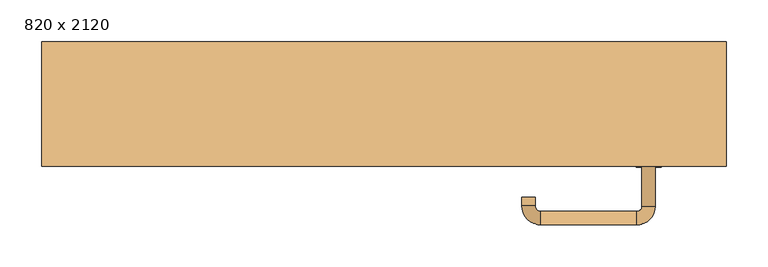
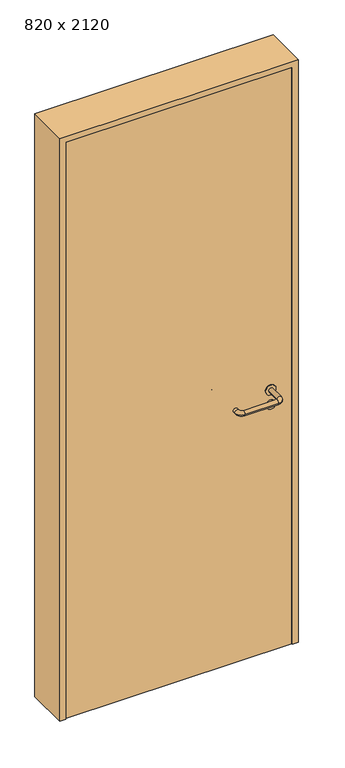
"""IFC4 building model written with IfcOpenShell, lengths in millimetres: door geometry, 820 x 2120."""

import ifcopenshell
import ifcopenshell.guid

model = None  # the IFC model being written
_history = None  # IfcOwnerHistory: only IFC2X3 demands one
_inside = {}  # id of a spatial element -> (the spatial element, [elements in it])
_under = {}  # id of a project, library or spatial element -> (it, [spatial elements below it])
_declared = {}  # id of a project -> (the project, [libraries it declares])
_typed = {}  # id of a type object -> (the type object, [elements of that type])
_made_of = {}  # id of a material, layer set ... -> (it, [elements and type objects made of it])


def new_model(schema):
    """Start an empty IFC model of exactly this schema.

    Asked for "IFC4X3", IfcOpenShell would pick the latest addendum, in which some entities
    have other attributes; the version numbers below select the first issue.
    IFC2X3 requires an IfcOwnerHistory on every rooted entity: one is made here for all.
    """
    global model, _history
    if schema == "IFC4X3":
        model = ifcopenshell.file(schema_version=(4, 3, 0, 0))
    else:
        model = ifcopenshell.file(schema=schema)
    _inside.clear()
    _under.clear()
    _declared.clear()
    _typed.clear()
    _made_of.clear()
    _history = None
    if model.schema == "IFC2X3":
        org = make("IfcOrganization", Name="unknown")
        user = make(
            "IfcPersonAndOrganization",
            ThePerson=make("IfcPerson", FamilyName="unknown"),
            TheOrganization=org,
        )
        app = make(
            "IfcApplication",
            ApplicationDeveloper=org,
            Version="unknown",
            ApplicationFullName="unknown",
            ApplicationIdentifier="unknown",
        )
        _history = make(
            "IfcOwnerHistory",
            OwningUser=user,
            OwningApplication=app,
            ChangeAction="ADDED",
            CreationDate=0,
        )
    return model


def make(cls, **values):
    """One entity of the class cls with the attributes given. An attribute that is None is left unset."""
    return model.create_entity(
        cls, **{name: value for name, value in values.items() if value is not None}
    )


def rooted(cls, **values):
    """An entity with a GlobalId (a new one), such as an element, a storey or a relation."""
    return make(cls, GlobalId=ifcopenshell.guid.new(), OwnerHistory=_history, **values)


def si_unit(unit_type, name, prefix=None):
    """IfcSIUnit, for example si_unit("LENGTHUNIT", "METRE", prefix="MILLI")."""
    return make("IfcSIUnit", UnitType=unit_type, Prefix=prefix, Name=name)


def assignment(units):
    """IfcUnitAssignment: the units of a project."""
    return None if units is None else make("IfcUnitAssignment", Units=units)


def point(xyz):
    """IfcCartesianPoint."""
    return None if xyz is None else make("IfcCartesianPoint", Coordinates=xyz)


def direction(xyz):
    """IfcDirection."""
    return None if xyz is None else make("IfcDirection", DirectionRatios=xyz)


def frame(location, z_axis=None, x_axis=None):
    """IfcAxis2Placement3D, a coordinate frame: its origin and axes. An axis left out is left unset."""
    return make(
        "IfcAxis2Placement3D",
        Location=point(location),
        Axis=direction(z_axis),
        RefDirection=direction(x_axis),
    )


def frame_2d(location, x_axis=None):
    """IfcAxis2Placement2D, a coordinate frame in the plane: its origin and x axis."""
    return make(
        "IfcAxis2Placement2D", Location=point(location), RefDirection=direction(x_axis)
    )


def origin():
    """The frame at (0, 0, 0) with its axes left unset."""
    return frame((0.0, 0.0, 0.0))


def origin_with_axes():
    """The frame at (0, 0, 0) with the z axis (0, 0, 1) and the x axis (1, 0, 0) written out."""
    return frame((0.0, 0.0, 0.0), z_axis=(0.0, 0.0, 1.0), x_axis=(1.0, 0.0, 0.0))


def place(relative_to, where):
    """IfcLocalPlacement: puts the frame where relative to a parent placement (None: the world)."""
    return make(
        "IfcLocalPlacement", PlacementRelTo=relative_to, RelativePlacement=where
    )


def context(
    kind, dimensions, precision=None, world=None, true_north=None, identifier=None
):
    """IfcGeometricRepresentationContext, for example the 3D "Model" context."""
    return make(
        "IfcGeometricRepresentationContext",
        ContextIdentifier=identifier,
        ContextType=kind,
        CoordinateSpaceDimension=dimensions,
        Precision=precision,
        WorldCoordinateSystem=world,
        TrueNorth=true_north,
    )


def project(units=None, contexts=None):
    """IfcProject with its units and contexts."""
    return rooted(
        "IfcProject",
        Name="project",
        RepresentationContexts=contexts,
        UnitsInContext=assignment(units),
    )


def spatial(cls, under=None, at=None, **own):
    """A site, building, storey or space (cls), placed at a placement, below another one or the project."""
    s = rooted(cls, ObjectPlacement=at, **own)
    if under is not None:
        _under.setdefault(under.id(), (under, []))[1].append(s)
    return s


def polyline(points):
    """IfcPolyline through the points."""
    return make("IfcPolyline", Points=[point(p) for p in points])


def circle_curve(where, radius):
    """IfcCircle in the frame where."""
    return make("IfcCircle", Position=where, Radius=radius)


def ellipse_curve(where, semi_axis1, semi_axis2):
    """IfcEllipse in the frame where."""
    return make(
        "IfcEllipse", Position=where, SemiAxis1=semi_axis1, SemiAxis2=semi_axis2
    )


def trimmed(basis, trim1, trim2, sense, master):
    """IfcTrimmedCurve: the piece of a basis curve between two trims."""
    return make(
        "IfcTrimmedCurve",
        BasisCurve=basis,
        Trim1=trim1,
        Trim2=trim2,
        SenseAgreement=sense,
        MasterRepresentation=master,
    )


def segment(curve, same_sense, transition):
    """IfcCompositeCurveSegment."""
    return make(
        "IfcCompositeCurveSegment",
        Transition=transition,
        SameSense=same_sense,
        ParentCurve=curve,
    )


def composite_curve(segments, self_intersect=None):
    """IfcCompositeCurve: segments joined end to end."""
    return make("IfcCompositeCurve", Segments=segments, SelfIntersect=self_intersect)


def outline(outer, holes=None, kind="AREA"):
    """IfcArbitraryClosedProfileDef: a profile drawn as a closed curve; with holes, ...WithVoids."""
    if holes is None:
        return make("IfcArbitraryClosedProfileDef", ProfileType=kind, OuterCurve=outer)
    return make(
        "IfcArbitraryProfileDefWithVoids",
        ProfileType=kind,
        OuterCurve=outer,
        InnerCurves=holes,
    )


def extrude(swept, where, along, depth):
    """IfcExtrudedAreaSolid: the profile swept, set in the frame where, extruded along a direction by depth."""
    return make(
        "IfcExtrudedAreaSolid",
        SweptArea=swept,
        Position=where,
        ExtrudedDirection=direction(along),
        Depth=depth,
    )


def shape(context_of_items, identifier, shape_type, items):
    """IfcShapeRepresentation: the items that make up one representation, for example the "Body"."""
    return make(
        "IfcShapeRepresentation",
        ContextOfItems=context_of_items,
        RepresentationIdentifier=identifier,
        RepresentationType=shape_type,
        Items=items,
    )


def source(mapping_origin, context_of_items, identifier, shape_type, items):
    """IfcRepresentationMap: a shape defined once, which mapped items show again and again."""
    return make(
        "IfcRepresentationMap",
        MappingOrigin=mapping_origin,
        MappedRepresentation=shape(context_of_items, identifier, shape_type, items),
    )


def transform(
    local_origin,
    x_axis=None,
    y_axis=None,
    z_axis=None,
    scale=None,
    scale2=None,
    scale3=None,
    uniform=True,
):
    """IfcCartesianTransformationOperator3D, or its non-uniform kind. x_axis, y_axis, z_axis: its Axis1, 2, 3."""
    if uniform:
        return make(
            "IfcCartesianTransformationOperator3D",
            Axis1=direction(x_axis),
            Axis2=direction(y_axis),
            LocalOrigin=point(local_origin),
            Scale=scale,
            Axis3=direction(z_axis),
        )
    return make(
        "IfcCartesianTransformationOperator3DnonUniform",
        Axis1=direction(x_axis),
        Axis2=direction(y_axis),
        LocalOrigin=point(local_origin),
        Scale=scale,
        Axis3=direction(z_axis),
        Scale2=scale2,
        Scale3=scale3,
    )


def mapped(mapping_source, mapping_target):
    """IfcMappedItem: shows the shape of a source again, moved by a transform."""
    return make(
        "IfcMappedItem", MappingSource=mapping_source, MappingTarget=mapping_target
    )


def made_of(thing, what):
    """Note that an element or type object is made of a material, layer set ...; save() writes the relation."""
    if what is not None:
        _made_of.setdefault(what.id(), (what, []))[1].append(thing)
    return thing


def element(
    cls,
    number,
    at=None,
    inside=None,
    cuts=None,
    type_object=None,
    material=None,
    context=None,
    identifier="Body",
    shape_type=None,
    held_by="IfcProductDefinitionShape",
    body=None,
    shapes=None,
    **own,
):
    """One element of the class cls, such as IfcWall. Its Tag is "e" and its number.

    at: its placement. inside: the storey or other place that contains it. cuts: it is an
    opening in that element (IfcRelVoidsElement). A single representation is given by context,
    identifier, shape_type and body (its items); several are given by shapes. held_by: the class
    of the entity that holds the representations. save() writes the other relations.
    """
    e = rooted(cls, Tag="e%d" % number, ObjectPlacement=at, **own)
    if body is not None:
        shapes = [shape(context, identifier, shape_type, body)]
    if shapes is not None:
        e.Representation = make(held_by, Representations=shapes)
    if inside is not None:
        _inside.setdefault(inside.id(), (inside, []))[1].append(e)
    if cuts is not None:
        rooted(
            "IfcRelVoidsElement", RelatingBuildingElement=cuts, RelatedOpeningElement=e
        )
    if type_object is not None:
        _typed.setdefault(type_object.id(), (type_object, []))[1].append(e)
    return made_of(e, material)


def aggregate(whole, parts):
    """IfcRelAggregates: a whole, such as a stair, and the parts it consists of."""
    return rooted("IfcRelAggregates", RelatingObject=whole, RelatedObjects=parts)


def save(model, path):
    """Write the relations noted so far, then the file.

    IfcRelAggregates (storeys below a building ...), IfcRelContainedInSpatialStructure (elements
    in a storey), IfcRelDefinesByType, IfcRelAssociatesMaterial and IfcRelDeclares: one each for
    every whole, place, type object, material and project.
    """
    for whole, parts in _under.values():
        aggregate(whole, parts)
    for where, things in _inside.values():
        rooted(
            "IfcRelContainedInSpatialStructure",
            RelatedElements=things,
            RelatingStructure=where,
        )
    for kind, things in _typed.values():
        rooted("IfcRelDefinesByType", RelatedObjects=things, RelatingType=kind)
    for what, things in _made_of.values():
        rooted("IfcRelAssociatesMaterial", RelatedObjects=things, RelatingMaterial=what)
    for by, libraries in _declared.values():
        rooted("IfcRelDeclares", RelatingContext=by, RelatedDefinitions=libraries)
    model.write(path)


def plane_surface(at):
    """IfcPlane: the flat surface through the origin of the frame at, square to its z axis."""
    return make("IfcPlane", Position=at)


def cylinder_surface(at, radius):
    """IfcCylindricalSurface: all points at the distance radius from the z axis of the frame at."""
    return make("IfcCylindricalSurface", Position=at, Radius=radius)


def revolved_surface(curve, axis_point, axis_direction):
    """IfcSurfaceOfRevolution: the curve turned about the line through axis_point along axis_direction."""
    return make(
        "IfcSurfaceOfRevolution",
        SweptCurve=make("IfcArbitraryOpenProfileDef", ProfileType="CURVE", Curve=curve),
        AxisPosition=make("IfcAxis1Placement", Location=point(axis_point), Axis=direction(axis_direction)),
    )


def advanced_brep(points, edges, surfaces, faces):
    """IfcAdvancedBrep: a solid bounded by faces that lie on surfaces and meet in shared edges.

    An edge is (start, end): straight between two places in points (the first is 0);
    or (start, end, curve); or (start, end, curve, False) where it runs against its curve.
    A face is (place in surfaces, loops), or (place, loops, False) where it looks against
    its surface's normal. A loop lists edges by number (the first is 1), with a minus sign
    where the edge is run from its end to its start. The first loop is the outer one.
    """
    corners = [point(p) for p in points]
    vertices = [make("IfcVertexPoint", VertexGeometry=c) for c in corners]
    made = []
    for start, end, *more in edges:
        made.append(
            make(
                "IfcEdgeCurve",
                EdgeStart=vertices[start],
                EdgeEnd=vertices[end],
                EdgeGeometry=more[0] if more else make("IfcPolyline", Points=[corners[start], corners[end]]),
                SameSense=more[1] if len(more) > 1 else True,
            )
        )
    hull = []
    for where, loops, *sense in faces:
        bounds = []
        for j, loop in enumerate(loops):
            ring = [make("IfcOrientedEdge", EdgeElement=made[abs(k) - 1], Orientation=k > 0) for k in loop]
            bounds.append(
                make(
                    "IfcFaceOuterBound" if j == 0 else "IfcFaceBound",
                    Bound=make("IfcEdgeLoop", EdgeList=ring),
                    Orientation=True,
                )
            )
        hull.append(make("IfcAdvancedFace", Bounds=bounds, FaceSurface=surfaces[where], SameSense=sense[0] if sense else True))
    return make("IfcAdvancedBrep", Outer=make("IfcClosedShell", CfsFaces=hull))


def door_820_x_2120_89dac87c(model_context):
    return source(origin(), model_context, "Body", "SolidModel", [
        extrude(outline(composite_curve([segment(trimmed(circle_curve(frame_2d((897.3605726, 317.0)), 15.0), [point((897.3605726, 332.0))], [point((897.3605726, 302.0))], False, "CARTESIAN"), True, "CONTINUOUS"), segment(trimmed(circle_curve(frame_2d((897.3605726, 317.0)), 15.0), [point((897.3605726, 302.0))], [point((897.3605726, 332.0))], False, "CARTESIAN"), True, "CONTINUOUS")], self_intersect=False), holes=[composite_curve([segment(trimmed(circle_curve(frame_2d((892.5833211, 316.9398032)), 2.0), [point((892.5833211, 318.9398032))], [point((892.5833211, 314.9398032))], True, "CARTESIAN"), True, "CONTINUOUS"), segment(polyline([(892.5833211, 314.9398032), (902.5833211, 314.9398032)]), True, "CONTINUOUS"), segment(trimmed(circle_curve(frame_2d((902.5833211, 316.9398032)), 2.0), [point((902.5833211, 314.9398032))], [point((902.5833211, 318.9398032))], True, "CARTESIAN"), True, "CONTINUOUS"), segment(polyline([(902.5833211, 318.9398032), (892.5833211, 318.9398032)]), True, "CONTINUOUS")], self_intersect=False)]), frame((0.0, -40.0, 0.0), z_axis=(0.0, 1.0, 0.0), x_axis=(0.0, 0.0, 1.0)), (0.0, 0.0, 1.0), 6.35),
        extrude(outline(composite_curve([segment(trimmed(circle_curve(frame_2d((950.0, 317.0)), 17.526), [point((950.0, 334.526))], [point((950.0, 299.474))], False, "CARTESIAN"), True, "CONTINUOUS"), segment(trimmed(circle_curve(frame_2d((950.0, 317.0)), 17.526), [point((950.0, 299.474))], [point((950.0, 334.526))], False, "CARTESIAN"), True, "CONTINUOUS")], self_intersect=False)), frame((0.0, -40.0, 0.0), z_axis=(0.0, 1.0, 0.0), x_axis=(0.0, 0.0, 1.0)), (0.0, 0.0, 1.0), 3.175),
        advanced_brep(
        [(325.0, -40.0, 950.0), (309.0, -40.0, 950.0), (325.0, 13.0, 950.0), (309.0, 13.0, 950.0), (302.8578644, 19.1421356, 950.0), (302.8578644, 35.1421356, 950.0), (187.8578644, 35.1421356, 950.0), (187.8578644, 19.1421356, 950.0), (181.008622, 12.2928932, 950.0), (165.008622, 12.2928932, 950.0), (165.008622, 2.2928932, 950.0), (181.008622, 2.2928932, 950.0)],
        [
            (0, 1, circle_curve(frame((317.0, -40.0, 950.0), z_axis=(0.0, -1.0, 0.0), x_axis=(-1.0, 0.0, 0.0)), 8.0)),
            (1, 0, circle_curve(frame((317.0, -40.0, 950.0), z_axis=(0.0, -1.0, 0.0), x_axis=(-1.0, 0.0, 0.0)), 8.0)),
            (0, 2),
            (2, 3, circle_curve(frame((317.0, 13.0, 950.0), z_axis=(0.0, -1.0, 0.0), x_axis=(-1.0, 0.0, 0.0)), 8.0)),
            (3, 1),
            (3, 2, circle_curve(frame((317.0, 13.0, 950.0), z_axis=(0.0, -1.0, 0.0), x_axis=(-1.0, 0.0, 0.0)), 8.0)),
            (4, 3, circle_curve(frame((302.8578644, 13.0, 950.0), z_axis=(0.0, 0.0, -1.0), x_axis=(1.0, 0.0, 0.0)), 6.1421356)),
            (2, 5, circle_curve(frame((302.8578644, 13.0, 950.0), z_axis=(0.0, 0.0, 1.0), x_axis=(1.0, 0.0, 0.0)), 22.1421356)),
            (5, 4, circle_curve(frame((302.8578644, 27.1421356, 950.0), z_axis=(1.0, 0.0, 0.0), x_axis=(0.0, -1.0, 0.0)), 8.0)),
            (4, 5, circle_curve(frame((302.8578644, 27.1421356, 950.0), z_axis=(1.0, 0.0, 0.0), x_axis=(0.0, -1.0, 0.0)), 8.0)),
            (5, 6),
            (6, 7, circle_curve(frame((187.8578644, 27.1421356, 950.0), z_axis=(1.0, 0.0, 0.0), x_axis=(0.0, -1.0, 0.0)), 8.0)),
            (7, 4),
            (7, 6, circle_curve(frame((187.8578644, 27.1421356, 950.0), z_axis=(1.0, 0.0, 0.0), x_axis=(0.0, -1.0, 0.0)), 8.0)),
            (8, 7, circle_curve(frame((187.8578644, 12.2928932, 950.0), z_axis=(0.0, 0.0, -1.0), x_axis=(0.0, 1.0, 0.0)), 6.8492424)),
            (6, 9, circle_curve(frame((187.8578644, 12.2928932, 950.0), z_axis=(0.0, 0.0, 1.0), x_axis=(0.0, 1.0, 0.0)), 22.8492424)),
            (9, 8, circle_curve(frame((173.008622, 12.2928932, 950.0), z_axis=(0.0, 1.0, 0.0), x_axis=(1.0, 0.0, 0.0)), 8.0)),
            (8, 9, circle_curve(frame((173.008622, 12.2928932, 950.0), z_axis=(0.0, 1.0, 0.0), x_axis=(1.0, 0.0, 0.0)), 8.0)),
            (10, 11, circle_curve(frame((173.008622, 2.2928932, 950.0), z_axis=(0.0, -1.0, 0.0), x_axis=(1.0, 0.0, 0.0)), 8.0)),
            (11, 10, circle_curve(frame((173.008622, 2.2928932, 950.0), z_axis=(0.0, -1.0, 0.0), x_axis=(1.0, 0.0, 0.0)), 8.0)),
            (9, 10),
            (11, 8),
        ],
        [
            plane_surface(frame((317.0, -40.0, 0.0), z_axis=(0.0, -1.0, 0.0), x_axis=(0.0, 0.0, 1.0))),
            cylinder_surface(frame((317.0, -40.0, 950.0), z_axis=(0.0, -1.0, 0.0), x_axis=(-1.0, 0.0, 0.0)), 8.0),
            revolved_surface(trimmed(ellipse_curve(frame((317.0, 13.0, 950.0), z_axis=(0.0, -1.0, 0.0), x_axis=(-1.0, 0.0, 0.0)), 8.0, 8.0), [point((325.0, 13.0, 950.0))], [point((309.0, 13.0, 950.0))], True, "CARTESIAN"), (302.8578644, 13.0, 0.0), (0.0, 0.0, 1.0)),
            revolved_surface(trimmed(ellipse_curve(frame((317.0, 13.0, 950.0), z_axis=(0.0, -1.0, 0.0), x_axis=(-1.0, 0.0, 0.0)), 8.0, 8.0), [point((309.0, 13.0, 950.0))], [point((325.0, 13.0, 950.0))], True, "CARTESIAN"), (302.8578644, 13.0, 0.0), (0.0, 0.0, 1.0)),
            cylinder_surface(frame((302.8578644, 27.1421356, 950.0), z_axis=(1.0, 0.0, 0.0), x_axis=(0.0, -1.0, 0.0)), 8.0),
            revolved_surface(trimmed(ellipse_curve(frame((187.8578644, 27.1421356, 950.0), z_axis=(1.0, 0.0, 0.0), x_axis=(0.0, -1.0, 0.0)), 8.0, 8.0), [point((187.8578644, 35.1421356, 950.0))], [point((187.8578644, 19.1421356, 950.0))], True, "CARTESIAN"), (187.8578644, 12.2928932, 0.0), (0.0, 0.0, 1.0)),
            revolved_surface(trimmed(ellipse_curve(frame((187.8578644, 27.1421356, 950.0), z_axis=(1.0, 0.0, 0.0), x_axis=(0.0, -1.0, 0.0)), 8.0, 8.0), [point((187.8578644, 19.1421356, 950.0))], [point((187.8578644, 35.1421356, 950.0))], True, "CARTESIAN"), (187.8578644, 12.2928932, 0.0), (0.0, 0.0, 1.0)),
            plane_surface(frame((173.008622, 2.2928932, 0.0), z_axis=(0.0, -1.0, 0.0), x_axis=(0.0, 0.0, 1.0))),
            cylinder_surface(frame((173.008622, 12.2928932, 950.0), z_axis=(0.0, 1.0, 0.0), x_axis=(1.0, 0.0, 0.0)), 8.0),
        ],
        [
            (0, [[1, 2]]),
            (1, [[-1, 3, 4, 5]]),
            (1, [[-2, -5, 6, -3]]),
            (2, [[7, -4, 8, 9]]),
            (3, [[-8, -6, -7, 10]]),
            (4, [[-9, 11, 12, 13]]),
            (4, [[-10, -13, 14, -11]]),
            (5, [[15, -12, 16, 17]]),
            (6, [[-16, -14, -15, 18]]),
            (7, [[19, 20]]),
            (8, [[-17, 21, -20, 22]]),
            (8, [[-18, -22, -19, -21]]),
        ],
    ),
        extrude(outline(composite_curve([segment(trimmed(circle_curve(frame_2d((0.0, 15.0)), 15.0), [point((0.0, 30.0))], [point((0.0, 0.0))], False, "CARTESIAN"), True, "CONTINUOUS"), segment(trimmed(circle_curve(frame_2d((0.0, 15.0)), 15.0), [point((0.0, 0.0))], [point((0.0, 30.0))], False, "CARTESIAN"), True, "CONTINUOUS")], self_intersect=False), holes=[composite_curve([segment(trimmed(circle_curve(frame_2d((-4.7772515, 14.9398032)), 2.0), [point((-4.7772515, 16.9398032))], [point((-4.7772515, 12.9398032))], True, "CARTESIAN"), True, "CONTINUOUS"), segment(polyline([(-4.7772515, 12.9398032), (5.2227485, 12.9398032)]), True, "CONTINUOUS"), segment(trimmed(circle_curve(frame_2d((5.2227485, 14.9398032)), 2.0), [point((5.2227485, 12.9398032))], [point((5.2227485, 16.9398032))], True, "CARTESIAN"), True, "CONTINUOUS"), segment(polyline([(5.2227485, 16.9398032), (-4.7772515, 16.9398032)]), True, "CONTINUOUS")], self_intersect=False)]), frame((302.0, -76.35, 897.3605726), z_axis=(-1.8870575173328306e-12, 1.0, 0.0), x_axis=(0.0, 0.0, 1.0)), (0.0, 0.0, 1.0), 6.35),
        extrude(outline(composite_curve([segment(trimmed(circle_curve(frame_2d((0.0, 17.526)), 17.526), [point((0.0, 35.052))], [point((0.0, 0.0))], False, "CARTESIAN"), True, "CONTINUOUS"), segment(trimmed(circle_curve(frame_2d((0.0, 17.526)), 17.526), [point((0.0, 0.0))], [point((0.0, 35.052))], False, "CARTESIAN"), True, "CONTINUOUS")], self_intersect=False)), frame((299.474, -73.175, 950.0), z_axis=(-1.8870575173328306e-12, 1.0, 0.0), x_axis=(0.0, 0.0, 1.0)), (0.0, 0.0, 1.0), 3.175),
        advanced_brep(
        [(325.0, -70.0, 950.0), (309.0, -70.0, 950.0), (309.0, -123.0, 950.0), (325.0, -123.0, 950.0), (302.8578644, -129.1421356, 950.0), (302.8578644, -145.1421356, 950.0), (187.8578644, -129.1421356, 950.0), (187.8578644, -145.1421356, 950.0), (181.008622, -122.2928932, 950.0), (165.008622, -122.2928932, 950.0), (165.008622, -112.2928932, 950.0), (181.008622, -112.2928932, 950.0)],
        [
            (0, 1, circle_curve(frame((317.0, -70.0, 950.0), z_axis=(-1.888672253512351e-12, 1.0, 0.0), x_axis=(-1.0, -1.888672253512351e-12, 0.0)), 8.0)),
            (1, 0, circle_curve(frame((317.0, -70.0, 950.0), z_axis=(-1.888672253512351e-12, 1.0, 0.0), x_axis=(-1.0, -1.888672253512351e-12, 0.0)), 8.0)),
            (1, 2),
            (2, 3, circle_curve(frame((317.0, -123.0, 950.0), z_axis=(-1.888672253512351e-12, 1.0, 0.0), x_axis=(-1.0, -1.888672253512351e-12, 0.0)), 8.0)),
            (3, 0),
            (3, 2, circle_curve(frame((317.0, -123.0, 950.0), z_axis=(-1.888672253512351e-12, 1.0, 0.0), x_axis=(-1.0, -1.888672253512351e-12, 0.0)), 8.0)),
            (4, 5, circle_curve(frame((302.8578644, -137.1421356, 950.0), z_axis=(1.0, 1.913702061528922e-12, 0.0), x_axis=(-1.913702061528922e-12, 1.0, 0.0)), 8.0)),
            (5, 3, circle_curve(frame((302.8578644, -123.0, 950.0), z_axis=(0.0, 0.0, 1.0), x_axis=(1.0, 1.880717803715015e-12, 0.0)), 22.1421356)),
            (2, 4, circle_curve(frame((302.8578644, -123.0, 950.0), z_axis=(0.0, 0.0, -1.0), x_axis=(1.0, 1.880717803715015e-12, 0.0)), 6.1421356)),
            (5, 4, circle_curve(frame((302.8578644, -137.1421356, 950.0), z_axis=(1.0, 1.913702061528922e-12, 0.0), x_axis=(-1.913702061528922e-12, 1.0, 0.0)), 8.0)),
            (4, 6),
            (6, 7, circle_curve(frame((187.8578644, -137.1421356, 950.0), z_axis=(1.0, 1.913719828541269e-12, 0.0), x_axis=(-1.913719828541269e-12, 1.0, 0.0)), 8.0)),
            (7, 5),
            (7, 6, circle_curve(frame((187.8578644, -137.1421356, 950.0), z_axis=(1.0, 1.913719828541269e-12, 0.0), x_axis=(-1.913719828541269e-12, 1.0, 0.0)), 8.0)),
            (8, 9, circle_curve(frame((173.008622, -122.2928932, 950.0), z_axis=(1.8888942981172756e-12, -1.0, 0.0), x_axis=(1.0, 1.8888942981172756e-12, 0.0)), 8.0)),
            (9, 7, circle_curve(frame((187.8578644, -122.2928932, 950.0), z_axis=(0.0, 0.0, 1.0), x_axis=(1.9120873253494017e-12, -1.0, 0.0)), 22.8492424)),
            (6, 8, circle_curve(frame((187.8578644, -122.2928932, 950.0), z_axis=(0.0, 0.0, -1.0), x_axis=(1.9120873253494017e-12, -1.0, 0.0)), 6.8492424)),
            (9, 8, circle_curve(frame((173.008622, -122.2928932, 950.0), z_axis=(1.890448610351751e-12, -1.0, 0.0), x_axis=(1.0, 1.890448610351751e-12, 0.0)), 8.0)),
            (10, 11, circle_curve(frame((173.008622, -112.2928932, 950.0), z_axis=(-1.8903642334018795e-12, 1.0, 0.0), x_axis=(1.0, 1.8903642334018795e-12, 0.0)), 8.0)),
            (11, 10, circle_curve(frame((173.008622, -112.2928932, 950.0), z_axis=(-1.8903642334018795e-12, 1.0, 0.0), x_axis=(1.0, 1.8903642334018795e-12, 0.0)), 8.0)),
            (8, 11),
            (10, 9),
        ],
        [
            plane_surface(frame((317.0, -70.0, 0.0), z_axis=(-1.8870575173328306e-12, 1.0, 0.0), x_axis=(0.0, 0.0, 1.0))),
            cylinder_surface(frame((317.0, -70.0, 950.0), z_axis=(-1.888672253512351e-12, 1.0, 0.0), x_axis=(-1.0, -1.888672253512351e-12, 0.0)), 8.0),
            revolved_surface(trimmed(ellipse_curve(frame((317.0, -123.0, 950.0), z_axis=(1.8823325398945356e-12, -1.0, 0.0), x_axis=(-1.0, -1.8823325398945356e-12, 0.0)), 8.0, 8.0), [point((325.0, -123.0, 950.0))], [point((309.0, -123.0, 950.0))], True, "CARTESIAN"), (302.8578644, -123.0, 0.0), (0.0, 0.0, 1.0)),
            revolved_surface(trimmed(ellipse_curve(frame((317.0, -123.0, 950.0), z_axis=(1.8823325398945356e-12, -1.0, 0.0), x_axis=(-1.0, -1.8823325398945356e-12, 0.0)), 8.0, 8.0), [point((309.0, -123.0, 950.0))], [point((325.0, -123.0, 950.0))], True, "CARTESIAN"), (302.8578644, -123.0, 0.0), (0.0, 0.0, 1.0)),
            cylinder_surface(frame((302.8578644, -137.1421356, 950.0), z_axis=(1.0, 1.913719828541269e-12, 0.0), x_axis=(-1.913719828541269e-12, 1.0, 0.0)), 8.0),
            revolved_surface(trimmed(ellipse_curve(frame((187.8578644, -137.1421356, 950.0), z_axis=(-1.0, -1.913702061528922e-12, 0.0), x_axis=(-1.913702061528922e-12, 1.0, 0.0)), 8.0, 8.0), [point((187.8578644, -145.1421356, 950.0))], [point((187.8578644, -129.1421356, 950.0))], True, "CARTESIAN"), (187.8578644, -122.2928932, 0.0), (0.0, 0.0, 1.0)),
            revolved_surface(trimmed(ellipse_curve(frame((187.8578644, -137.1421356, 950.0), z_axis=(-1.0, -1.913702061528922e-12, 0.0), x_axis=(-1.913702061528922e-12, 1.0, 0.0)), 8.0, 8.0), [point((187.8578644, -129.1421356, 950.0))], [point((187.8578644, -145.1421356, 950.0))], True, "CARTESIAN"), (187.8578644, -122.2928932, 0.0), (0.0, 0.0, 1.0)),
            plane_surface(frame((173.008622, -112.2928932, 0.0), z_axis=(-1.8887494972223595e-12, 1.0, 0.0), x_axis=(0.0, 0.0, 1.0))),
            cylinder_surface(frame((173.008622, -122.2928932, 950.0), z_axis=(1.8903642334018795e-12, -1.0, 0.0), x_axis=(1.0, 1.8903642334018795e-12, 0.0)), 8.0),
        ],
        [
            (0, [[1, 2]]),
            (1, [[3, 4, 5, -2]]),
            (1, [[-5, 6, -3, -1]]),
            (2, [[7, 8, -4, 9]]),
            (3, [[10, -9, -6, -8]]),
            (4, [[11, 12, 13, -7]]),
            (4, [[-13, 14, -11, -10]]),
            (5, [[15, 16, -12, 17]]),
            (6, [[18, -17, -14, -16]]),
            (7, [[19, 20]]),
            (8, [[21, -19, 22, -15]]),
            (8, [[-22, -20, -21, -18]]),
        ],
    ),
        extrude(outline(polyline([(2100.0, 390.0), (0.0, 390.0), (0.0, 410.0), (2120.0, 410.0), (2120.0, -410.0), (0.0, -410.0), (0.0, -390.0), (2100.0, -390.0), (2100.0, 390.0)])), frame((0.0, -75.0, 0.0), z_axis=(0.0, 1.0, 0.0), x_axis=(0.0, 0.0, 1.0)), (0.0, 0.0, 1.0), 149.0),
        extrude(outline(polyline([(-390.0, -70.0), (-390.0, -40.0), (390.0, -40.0), (390.0, -70.0), (-390.0, -70.0)])), origin_with_axes(), (0.0, 0.0, 1.0), 2100.0),
    ])


if __name__ == "__main__":
    model = new_model("IFC4")
    model_context = context("Model", 3, world=origin())
    ifc_project = project(units=[si_unit("LENGTHUNIT", "METRE", prefix="MILLI")], contexts=[model_context])
    site = spatial("IfcSite", under=ifc_project)
    building = spatial("IfcBuilding", under=site)
    placement = place(None, origin())
    door_820_x_2120_shape = door_820_x_2120_89dac87c(model_context)
    element("IfcDoor", 1, ObjectType="820 x 2120", at=placement, inside=building, context=model_context, shape_type="MappedRepresentation", body=[
        mapped(door_820_x_2120_shape, transform((0.0, 0.0, 0.0), x_axis=(1.0, 0.0, 0.0), y_axis=(0.0, 1.0, 0.0), z_axis=(0.0, 0.0, 1.0))),
    ])
    save(model, "model.ifc")
